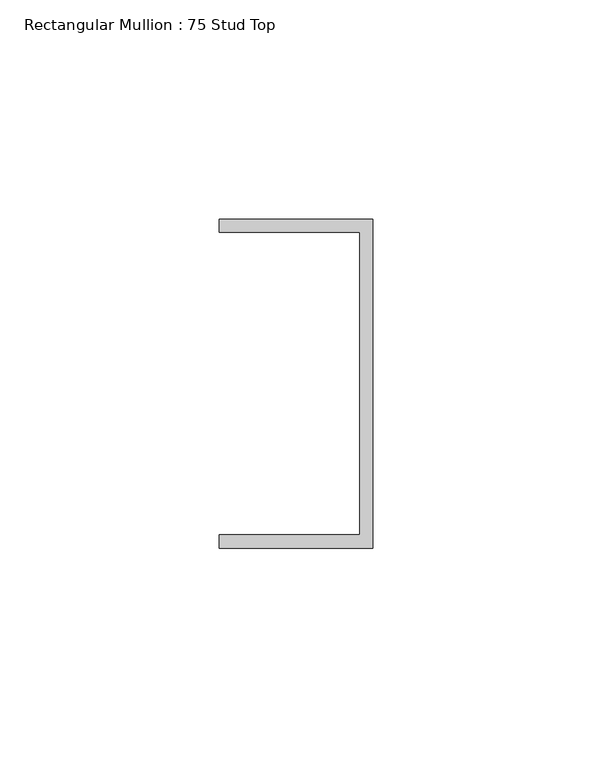
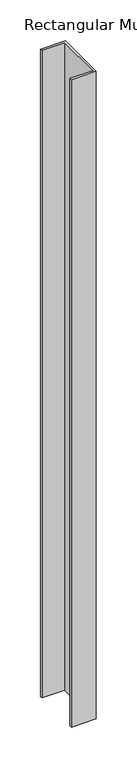
"""IFC4 building model written with IfcOpenShell, lengths in millimetres: member geometry, Rectangular Mullion : 75 Stud Top."""

from ifc_helpers import new_model, si_unit, frame, origin, place, context, project, spatial, polyline, outline, extrude, source, transform, mapped, element, save


def rectangular_mullion_75_stud_top_fad0dc8a(model_context):
    return source(origin(), model_context, "Body", "SweptSolid", [
        extrude(outline(polyline([(17.5, 37.5), (17.5, -37.5), (-17.5, -37.5), (-17.5, -34.5), (14.5, -34.5), (14.5, 34.5), (-17.5, 34.5), (-17.5, 37.5), (17.5, 37.5)])), frame((0.0, 0.0, -965.0), z_axis=(0.0, 0.0, 1.0), x_axis=(1.0, 0.0, 0.0)), (0.0, 0.0, 1.0), 965.0),
    ])


if __name__ == "__main__":
    model = new_model("IFC4")
    model_context = context("Model", 3, world=origin())
    ifc_project = project(units=[si_unit("LENGTHUNIT", "METRE", prefix="MILLI")], contexts=[model_context])
    site = spatial("IfcSite", under=ifc_project)
    building = spatial("IfcBuilding", under=site)
    placement = place(None, origin())
    rectangular_mullion_75_stud_top_shape = rectangular_mullion_75_stud_top_fad0dc8a(model_context)
    element("IfcMember", 1, ObjectType="Rectangular Mullion : 75 Stud Top", at=placement, inside=building, context=model_context, shape_type="MappedRepresentation", body=[
        mapped(rectangular_mullion_75_stud_top_shape, transform((0.0, 0.0, 0.0), x_axis=(1.0, 0.0, 0.0), y_axis=(0.0, 1.0, 0.0), z_axis=(0.0, 0.0, 1.0))),
    ])
    save(model, "model.ifc")
